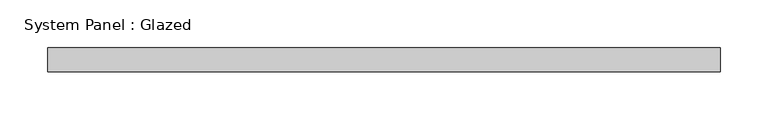
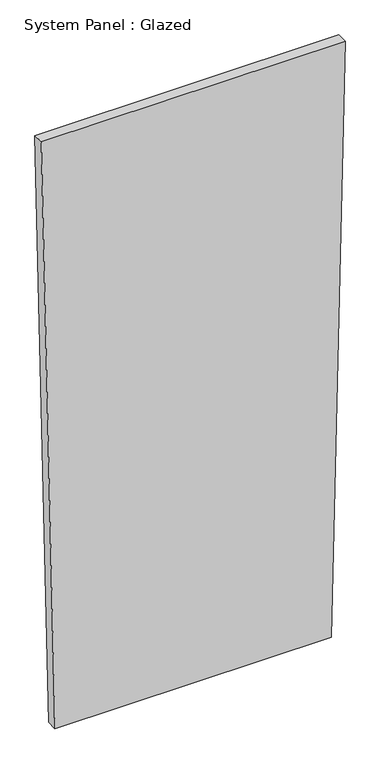
"""IFC4 building model written with IfcOpenShell, lengths in millimetres: plate geometry, System Panel : Glazed."""

from ifc_helpers import new_model, si_unit, frame, origin, place, context, project, spatial, polyline, outline, extrude, source, transform, mapped, element, save


def system_panel_glazed_d4f851db(model_context):
    return source(origin(), model_context, "Body", "SweptSolid", [
        extrude(outline(polyline([(0.0, -320.4008261), (0.0, 320.4007028), (1449.6362159, 352.3296928), (1449.6362293, -352.3296928), (0.0, -320.4008261)])), frame((0.0, -49.5, 0.0), z_axis=(0.0, 1.0, 0.0), x_axis=(0.0, 0.0, 1.0)), (0.0, 0.0, 1.0), 25.0),
    ])


if __name__ == "__main__":
    model = new_model("IFC4")
    model_context = context("Model", 3, world=origin())
    ifc_project = project(units=[si_unit("LENGTHUNIT", "METRE", prefix="MILLI")], contexts=[model_context])
    site = spatial("IfcSite", under=ifc_project)
    building = spatial("IfcBuilding", under=site)
    placement = place(None, origin())
    system_panel_glazed_shape = system_panel_glazed_d4f851db(model_context)
    element("IfcPlate", 1, ObjectType="System Panel : Glazed", at=placement, inside=building, context=model_context, shape_type="MappedRepresentation", body=[
        mapped(system_panel_glazed_shape, transform((0.0, 0.0, 0.0), x_axis=(1.0, 0.0, 0.0), y_axis=(0.0, 1.0, 0.0), z_axis=(0.0, 0.0, 1.0))),
    ])
    save(model, "model.ifc")
